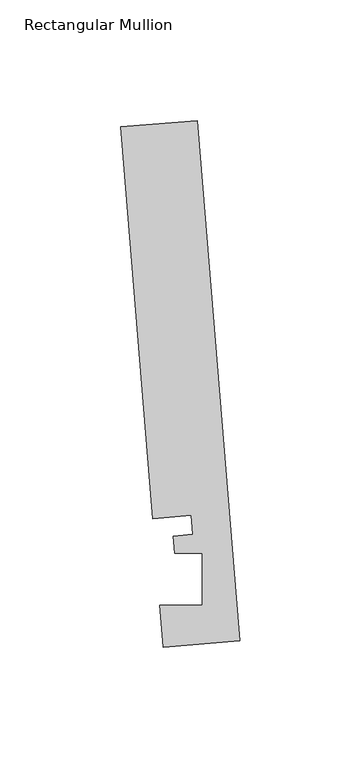
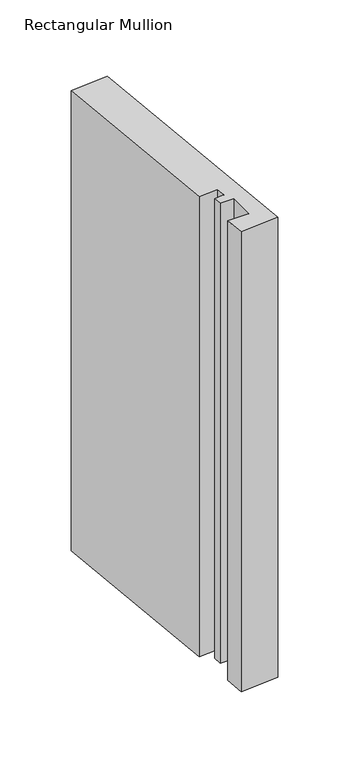
"""IFC4 building model written with IfcOpenShell, lengths in millimetres: member geometry, Rectangular Mullion."""

from ifc_helpers import new_model, si_unit, frame, origin, place, context, project, spatial, polyline, outline, extrude, source, transform, mapped, element, save


def rectangular_mullion_e76d22b5(model_context):
    return source(origin(), model_context, "Body", "SweptSolid", [
        extrude(outline(polyline([(-0.2190396, 2.6699364), (-31.8627302, 0.0739116), (-33.2772473, 17.315866), (-15.8506254, 17.315866), (-15.848851, 38.9474576), (-27.100463, 38.9474576), (-27.6861262, 46.0862742), (-19.7625461, 46.7363188), (-20.4084371, 54.6092691), (-36.2302824, 53.3112566), (-49.5364672, 215.5041572), (-17.8927766, 218.100182), (-0.2190396, 2.6699364)])), frame((0.0, 0.0, -405.348209), z_axis=(0.0, 0.0, 1.0), x_axis=(1.0, 0.0, 0.0)), (0.0, 0.0, 1.0), 405.348209),
    ])


if __name__ == "__main__":
    model = new_model("IFC4")
    model_context = context("Model", 3, world=origin())
    ifc_project = project(units=[si_unit("LENGTHUNIT", "METRE", prefix="MILLI")], contexts=[model_context])
    site = spatial("IfcSite", under=ifc_project)
    building = spatial("IfcBuilding", under=site)
    placement = place(None, origin())
    rectangular_mullion_shape = rectangular_mullion_e76d22b5(model_context)
    element("IfcMember", 1, ObjectType="Rectangular Mullion", at=placement, inside=building, context=model_context, shape_type="MappedRepresentation", body=[
        mapped(rectangular_mullion_shape, transform((0.0, 0.0, 0.0), x_axis=(1.0, 0.0, 0.0), y_axis=(0.0, 1.0, 0.0), z_axis=(0.0, 0.0, 1.0))),
    ])
    save(model, "model.ifc")
